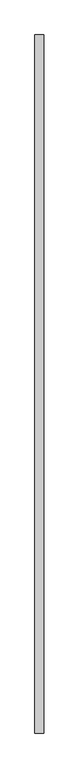
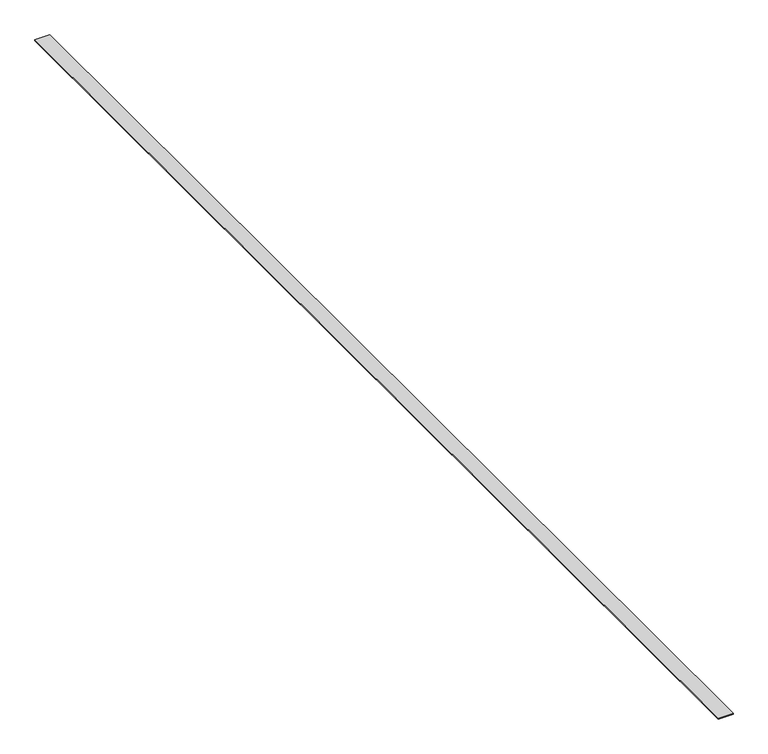
"""IFC4 building model written with IfcOpenShell, lengths in millimetres: proxy geometry."""

from ifc_helpers import new_model, si_unit, frame, origin, place, context, project, spatial, polyline, outline, extrude, source, transform, mapped, element, save


def generic_models_e7ac4c6a(model_context):
    return source(origin(), model_context, "Body", "SweptSolid", [
        extrude(outline(polyline([(37942.7335454, -18662.4264268), (37942.7335454, -25196.3527966), (37860.8971901, -25196.3527966), (37860.8971901, -18662.4264268), (37942.7335454, -18662.4264268)])), frame((0.0, 0.0, 5644.0681248), z_axis=(0.0, 0.0, 1.0), x_axis=(1.0, 0.0, 0.0)), (0.0, 0.0, 1.0), 4.7625),
    ])


if __name__ == "__main__":
    model = new_model("IFC4")
    model_context = context("Model", 3, world=origin())
    ifc_project = project(units=[si_unit("LENGTHUNIT", "METRE", prefix="MILLI")], contexts=[model_context])
    site = spatial("IfcSite", under=ifc_project)
    building = spatial("IfcBuilding", under=site)
    placement = place(None, origin())
    generic_models_shape = generic_models_e7ac4c6a(model_context)
    element("IfcBuildingElementProxy", 1, Name="Generic Models", at=placement, inside=building, context=model_context, shape_type="MappedRepresentation", body=[
        mapped(generic_models_shape, transform((0.0, 0.0, 0.0), x_axis=(1.0, 0.0, 0.0), y_axis=(0.0, 1.0, 0.0), z_axis=(0.0, 0.0, 1.0))),
    ])
    save(model, "model.ifc")
